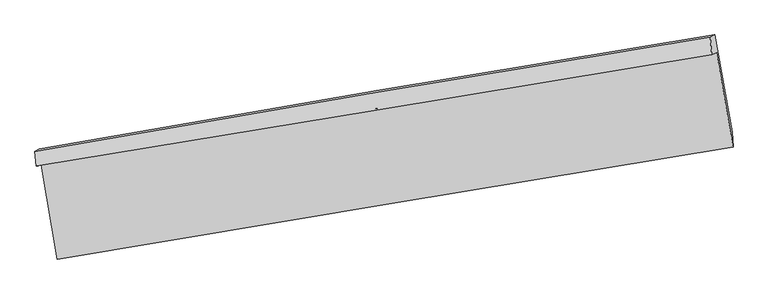
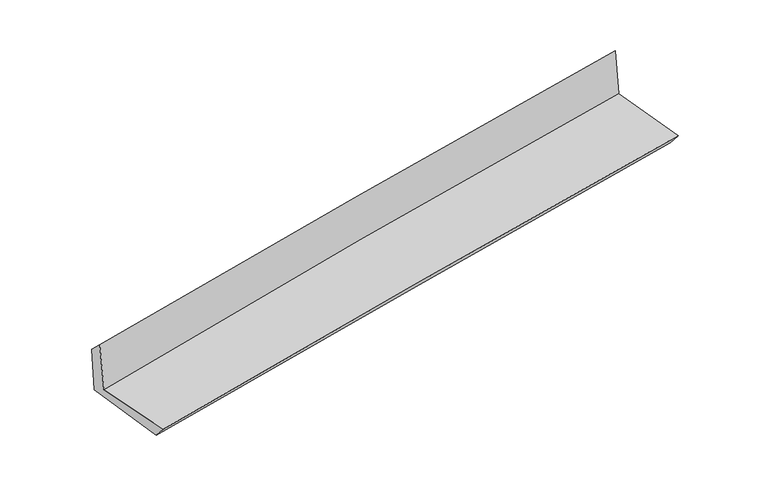
"""IFC4 building model written with IfcOpenShell, lengths in millimetres: proxy geometry."""

from ifc_helpers import new_model, si_unit, frame, origin, place, context, project, spatial, source, transform, mapped, element, save
from ifc_brep_helpers import plane_surface, spline_curve, spline_surface, advanced_brep


def generic_models_5e354ca0(model_context):
    return source(origin(), model_context, "Body", "AdvancedBrep", [
        advanced_brep(
        [(-2392.7351047, -1879.0703703, 1645.6874705), (-2280.3450148, -2538.4634944, 1659.3595101), (2452.7380019, -1752.1635997, 2105.0390427), (2337.0828614, -1091.6265939, 2112.3407715), (-2429.9235883, -1883.7958807, 2058.9551219), (2302.698935, -1104.9161905, 2511.2132514), (-2438.0034276, -1782.6493142, 1957.2456888), (2293.0021415, -981.8664913, 2383.7913171), (-2406.3064058, -1765.9352292, 1581.225957), (2324.687871, -965.1543622, 2007.7705466), (-2286.3652418, -2446.217181, 1551.9339257), (2445.7596327, -1645.2404794, 1978.5825077)],
        [
            (0, 1),
            (1, 2, spline_curve(3, [(-2280.3450148, -2538.4634944, 1659.3595101), (-1492.714081274, -2405.831394652, 1739.550653648), (-704.64640676, -2274.018436801, 1816.771356964), (873.047173119, -2011.917048722, 1965.336362525), (1662.673837643, -1881.630041487, 2036.675503537), (2452.7380019, -1752.1635997, 2105.0390427)], [4, 2, 4], [0.0, 7.900385517846454, 15.807631853968541])),
            (2, 3),
            (3, 0, spline_curve(3, [(2337.0828614, -1091.6265939, 2112.3407715), (1546.885597892, -1220.830658493, 2047.515294655), (757.464736458, -1351.081940297, 1976.195085457), (-819.139905719, -1613.565015766, 1820.632719422), (-1606.325032759, -1745.794992722, 1736.401828277), (-2392.7351047, -1879.0703703, 1645.6874705)], [4, 2, 4], [0.0, 7.907246336122087, 15.807631853968541])),
            (4, 0),
            (3, 5),
            (5, 4, spline_curve(3, [(2302.698935, -1104.9161905, 2511.2132514), (1512.967977025, -1235.549762749, 2443.985294407), (723.546250944, -1365.8011945, 2372.66500568), (-853.994053909, -1625.427095032, 2221.905197196), (-1642.113168951, -1754.802226506, 2142.472776215), (-2429.9235883, -1883.7958807, 2058.9551219)], [4, 2, 4], [0.0, 7.906425152948055, 15.805990200130026])),
            (6, 4),
            (5, 7),
            (7, 6, spline_curve(3, [(2293.0021415, -981.8664913, 2383.7913171), (1503.075934551, -1108.831836378, 2312.279222012), (713.691489658, -1239.076796619, 2240.962362771), (-863.309426928, -1506.010093162, 2098.78082537), (-1650.926838362, -1642.6927405, 2027.915808518), (-2438.0034276, -1782.6493142, 1957.2456888)], [4, 2, 4], [0.0, 7.9059695177475815, 15.805079325066494])),
            (8, 6),
            (7, 9),
            (9, 8, spline_curve(3, [(2324.687871, -965.1543622, 2007.7705466), (1534.764017666, -1092.119298015, 1936.258668209), (745.38169094, -1222.36389083, 1864.942003794), (-831.615461844, -1489.296535035, 1722.760812396), (-1619.231227445, -1625.978898235, 1651.895947103), (-2406.3064058, -1765.9352292, 1581.225957)], [4, 2, 4], [0.0, 7.905763940352035, 15.804668348647123])),
            (10, 8),
            (9, 11),
            (11, 10, spline_curve(3, [(2445.7596327, -1645.2404794, 1978.5825077), (1655.600130042, -1772.246392827, 1907.048950089), (866.005731566, -1902.527798982, 1835.712777046), (-711.36824652, -2169.525714554, 1693.496925587), (-1499.148806152, -2306.236542092, 1622.616904401), (-2286.3652418, -2446.217181, 1551.9339257)], [4, 2, 4], [0.0, 7.906699879297744, 15.806539414459753])),
            (1, 10),
            (11, 2),
        ],
        [
            spline_surface(3, 3, [[(-2392.7351047, -1879.0703703, 1645.6874705), (-1606.3250328, -1745.79499263, 1736.401828353), (-819.13990563, -1613.565015658, 1820.632719471), (757.464736369, -1351.081940405, 1976.195085407), (1546.885597851, -1220.830658538, 2047.515294572), (2337.0828614, -1091.6265939, 2112.3407715)], [(-2355.271741384, -2098.86807833, 1650.244817048), (-1568.454715594, -1965.807126627, 1737.451436822), (-780.975406029, -1833.716156087, 1819.345598621), (795.992215308, -1571.360309844, 1972.575511104), (1585.481677782, -1441.097119508, 2043.902030863), (2375.634574878, -1311.805595817, 2109.906861873)], [(-2317.808378116, -2318.66578637, 1654.802163552), (-1530.584398435, -2185.819260635, 1738.501045248), (-742.810906427, -2053.867296444, 1818.058477806), (834.519694247, -1791.638679211, 1968.955936836), (1624.077757779, -1661.363580527, 2040.288767237), (2414.186288422, -1531.984597783, 2107.472952327)], [(-2280.3450148, -2538.4634944, 1659.3595101), (-1492.714081228, -2405.831394632, 1739.550653718), (-704.646406826, -2274.018436873, 1816.771356956), (873.047173186, -2011.91704865, 1965.336362533), (1662.673837711, -1881.630041496, 2036.675503528), (2452.7380019, -1752.1635997, 2105.0390427)]], [4, 4], [4, 2, 4], [0.0, 2.200216264159577], [0.0, 7.900385517846454, 15.807631853968541]),
            spline_surface(3, 3, [[(-2429.9235883, -1883.7958807, 2058.9551219), (-1642.113168931, -1754.802226582, 2142.472776271), (-853.994053835, -1625.427095049, 2221.905197305), (723.54625087, -1365.801194484, 2372.665005571), (1512.967976894, -1235.549762647, 2443.985294389), (2302.698935, -1104.9161905, 2511.2132514)], [(-2417.527427117, -1882.22071055, 1921.199238096), (-1630.183790238, -1751.799815249, 2007.115793628), (-842.376004438, -1621.473068572, 2088.14770468), (734.852412699, -1360.894776444, 2240.508365503), (1524.273850563, -1230.643394628, 2311.828627813), (2314.160243817, -1100.486324985, 2378.25575813)], [(-2405.131265883, -1880.64554045, 1783.443354304), (-1618.254411493, -1748.797403964, 1871.758810997), (-830.757955027, -1617.519042136, 1954.390212096), (746.158574541, -1355.988358445, 2108.351725475), (1535.579724182, -1225.737026556, 2179.671961147), (2325.621552583, -1096.056459415, 2245.29826477)], [(-2392.7351047, -1879.0703703, 1645.6874705), (-1606.3250328, -1745.79499263, 1736.401828353), (-819.13990563, -1613.565015658, 1820.632719471), (757.464736369, -1351.081940405, 1976.195085407), (1546.885597851, -1220.830658538, 2047.515294572), (2337.0828614, -1091.6265939, 2112.3407715)]], [4, 4], [4, 2, 4], [0.0, 1.3142032210155268], [0.0, 7.899565047181971, 15.805990200130026]),
            spline_surface(3, 3, [[(-2438.0034276, -1782.6493142, 1957.2456888), (-1650.926838451, -1642.692740467, 2027.915808548), (-863.309426952, -1506.010093075, 2098.780825341), (713.691489682, -1239.076796706, 2240.962362799), (1503.075934565, -1108.831836482, 2312.279222088), (2293.0021415, -981.8664913, 2383.7913171)], [(-2435.310147827, -1816.364836362, 1991.148833167), (-1647.988948604, -1680.062569168, 2066.101464456), (-860.204302571, -1545.815760399, 2139.822282659), (716.976410087, -1281.318262632, 2284.86324372), (1506.373282013, -1151.071145193, 2356.181246171), (2296.234406005, -1022.883057689, 2426.265295182)], [(-2432.616868073, -1850.080358538, 2025.051977533), (-1645.051058778, -1717.432397881, 2104.287120363), (-857.099178216, -1585.621427725, 2180.863739986), (720.261330465, -1323.559728558, 2328.76412465), (1509.670629446, -1193.310453936, 2400.083270306), (2299.466670495, -1063.899624111, 2468.739273318)], [(-2429.9235883, -1883.7958807, 2058.9551219), (-1642.113168931, -1754.802226582, 2142.472776271), (-853.994053835, -1625.427095049, 2221.905197305), (723.54625087, -1365.801194484, 2372.665005571), (1512.967976894, -1235.549762647, 2443.985294389), (2302.698935, -1104.9161905, 2511.2132514)]], [4, 4], [4, 2, 4], [0.0, 0.582052855483967], [0.0, 7.899109807318912, 15.805079325066494]),
            spline_surface(3, 3, [[(-2406.3064058, -1765.9352292, 1581.225957), (-1619.231227514, -1625.978898251, 1651.895947019), (-831.615461927, -1489.296535157, 1722.760812457), (745.381691024, -1222.363890707, 1864.942003733), (1534.764017701, -1092.119298103, 1936.258668117), (2324.687871, -965.1543622, 2007.7705466)], [(-2416.872079742, -1771.50659089, 1706.565867602), (-1629.796431169, -1631.550179013, 1777.235900863), (-842.180116934, -1494.867721152, 1848.100816759), (734.818290578, -1227.934859396, 1990.282123429), (1524.201323305, -1097.690144229, 2061.598852763), (2314.125961149, -970.725071899, 2133.110803422)], [(-2427.437753658, -1777.07795251, 1831.905778198), (-1640.361634796, -1637.121459705, 1902.575854703), (-852.744771945, -1500.43890708, 1973.440821038), (724.254890128, -1233.505828018, 2115.622243103), (1513.638628962, -1103.260990357, 2186.939037442), (2303.564051351, -976.295781601, 2258.451060278)], [(-2438.0034276, -1782.6493142, 1957.2456888), (-1650.926838451, -1642.692740467, 2027.915808548), (-863.309426952, -1506.010093075, 2098.780825341), (713.691489682, -1239.076796706, 2240.962362799), (1503.075934565, -1108.831836482, 2312.279222088), (2293.0021415, -981.8664913, 2383.7913171)]], [4, 4], [4, 2, 4], [0.0, 1.23924971176756], [0.0, 7.898904408295088, 15.804668348647123]),
            spline_surface(3, 3, [[(-2286.3652418, -2446.217181, 1551.9339257), (-1499.148806091, -2306.236542194, 1622.616904351), (-711.368246439, -2169.525714484, 1693.496925517), (866.005731485, -1902.527799051, 1835.712777116), (1655.600130058, -1772.246392875, 1907.048949995), (2445.7596327, -1645.2404794, 1978.5825077)], [(-2326.345629803, -2219.456530393, 1561.69793611), (-1539.176279902, -2079.483994205, 1632.376585217), (-751.450651606, -1942.782654694, 1703.251554504), (825.797717993, -1675.806496255, 1845.455852662), (1615.321425966, -1545.537361283, 1916.785522723), (2405.402378826, -1418.545106999, 1988.311854021)], [(-2366.326017797, -1992.695879807, 1571.46194659), (-1579.203753703, -1852.731446239, 1642.136266153), (-791.53305676, -1716.039594948, 1713.00618347), (785.589704515, -1449.085193503, 1855.198928187), (1575.042721794, -1318.828329695, 1926.522095389), (2365.045124874, -1191.849734601, 1998.041200279)], [(-2406.3064058, -1765.9352292, 1581.225957), (-1619.231227514, -1625.978898251, 1651.895947019), (-831.615461927, -1489.296535157, 1722.760812457), (745.381691024, -1222.363890707, 1864.942003733), (1534.764017701, -1092.119298103, 1936.258668117), (2324.687871, -965.1543622, 2007.7705466)]], [4, 4], [4, 2, 4], [0.0, 2.2683572336273854], [0.0, 7.899839535162009, 15.806539414459753]),
            spline_surface(3, 3, [[(-2280.3450148, -2538.4634944, 1659.3595101), (-1492.714081228, -2405.831394632, 1739.550653718), (-704.646406826, -2274.018436873, 1816.771356956), (873.047173186, -2011.91704865, 1965.336362533), (1662.673837711, -1881.630041496, 2036.675503528), (2452.7380019, -1752.1635997, 2105.0390427)], [(-2282.351757126, -2507.714723275, 1623.550981978), (-1494.858989509, -2372.633110494, 1700.572737273), (-706.887020032, -2239.187529393, 1775.679879823), (870.700025951, -1975.453965433, 1922.128500741), (1660.315935152, -1845.1688253, 1993.466652356), (2450.411878825, -1716.522559611, 2062.886864372)], [(-2284.358499474, -2476.965952125, 1587.742453822), (-1497.00389781, -2339.434826332, 1661.594820796), (-709.127633234, -2204.356621964, 1734.588402649), (868.35287872, -1938.990882268, 1878.920638908), (1657.958032617, -1808.707609071, 1950.257801168), (2448.085755775, -1680.881519489, 2020.734686028)], [(-2286.3652418, -2446.217181, 1551.9339257), (-1499.148806091, -2306.236542194, 1622.616904351), (-711.368246439, -2169.525714484, 1693.496925517), (866.005731485, -1902.527799051, 1835.712777116), (1655.600130058, -1772.246392875, 1907.048949995), (2445.7596327, -1645.2404794, 1978.5825077)]], [4, 4], [4, 2, 4], [0.0, 0.5438108246300756], [0.0, 7.900927521150064, 15.808716331259902]),
            plane_surface(frame((2359.3282406, -1256.8279528, 2183.1229062), z_axis=(0.9811625677571073, 0.17079644266019708, 0.09026954529021414), x_axis=(-0.08388608416608226, -0.04424436766193811, 0.995492622179329))),
            plane_surface(frame((-2372.2797972, -2049.355245, 1742.401279), z_axis=(-0.981448730052707, -0.16915406891349616, -0.09025126729269252), x_axis=(-0.16798649521713618, 0.9855774645103386, -0.020435236089549058))),
        ],
        [
            (0, [[1, 2, 3, 4]]),
            (1, [[5, -4, 6, 7]]),
            (2, [[8, -7, 9, 10]]),
            (3, [[11, -10, 12, 13]]),
            (4, [[14, -13, 15, 16]]),
            (5, [[17, -16, 18, -2]]),
            (6, [[-12, -9, -6, -3, -18, -15]]),
            (7, [[-1, -5, -8, -11, -14, -17]]),
        ],
    ),
    ])


if __name__ == "__main__":
    model = new_model("IFC4")
    model_context = context("Model", 3, world=origin())
    ifc_project = project(units=[si_unit("LENGTHUNIT", "METRE", prefix="MILLI")], contexts=[model_context])
    site = spatial("IfcSite", under=ifc_project)
    building = spatial("IfcBuilding", under=site)
    placement = place(None, origin())
    generic_models_shape = generic_models_5e354ca0(model_context)
    element("IfcBuildingElementProxy", 1, Name="Generic Models", at=placement, inside=building, context=model_context, shape_type="MappedRepresentation", body=[
        mapped(generic_models_shape, transform((0.0, 0.0, 0.0), x_axis=(1.0, 0.0, 0.0), y_axis=(0.0, 1.0, 0.0), z_axis=(0.0, 0.0, 1.0))),
    ])
    save(model, "model.ifc")
